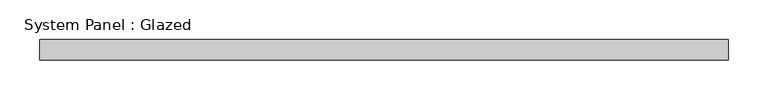
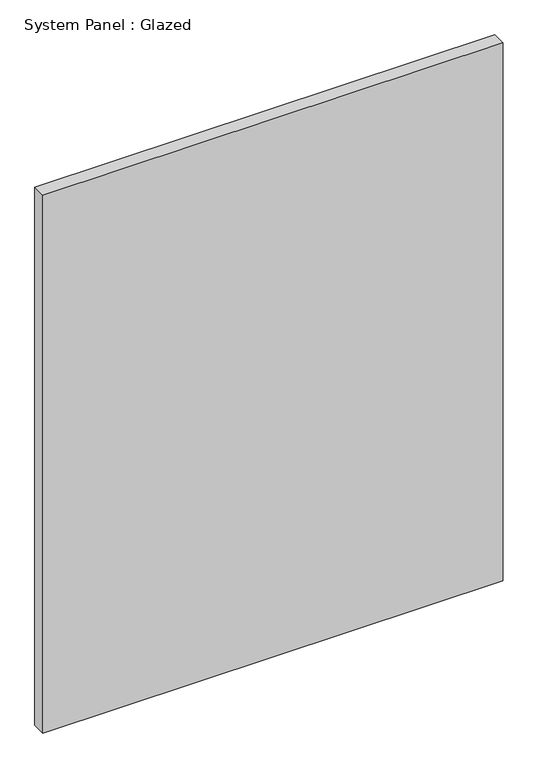
"""IFC4 building model written with IfcOpenShell, lengths in millimetres: plate geometry, System Panel : Glazed."""

from ifc_helpers import new_model, si_unit, origin, origin_with_axes, place, context, project, spatial, polyline, outline, extrude, source, transform, mapped, element, save


def system_panel_glazed_924ba8ca(model_context):
    return source(origin(), model_context, "Body", "SweptSolid", [
        extrude(outline(polyline([(431.8, -12.7), (-431.8, -12.7), (-431.8, 12.7), (431.8, 12.7), (431.8, -12.7)])), origin_with_axes(), (0.0, 0.0, 1.0), 1066.8),
    ])


if __name__ == "__main__":
    model = new_model("IFC4")
    model_context = context("Model", 3, world=origin())
    ifc_project = project(units=[si_unit("LENGTHUNIT", "METRE", prefix="MILLI")], contexts=[model_context])
    site = spatial("IfcSite", under=ifc_project)
    building = spatial("IfcBuilding", under=site)
    placement = place(None, origin())
    system_panel_glazed_shape = system_panel_glazed_924ba8ca(model_context)
    element("IfcPlate", 1, ObjectType="System Panel : Glazed", at=placement, inside=building, context=model_context, shape_type="MappedRepresentation", body=[
        mapped(system_panel_glazed_shape, transform((0.0, 0.0, 0.0), x_axis=(1.0, 0.0, 0.0), y_axis=(0.0, 1.0, 0.0), z_axis=(0.0, 0.0, 1.0))),
    ])
    save(model, "model.ifc")
